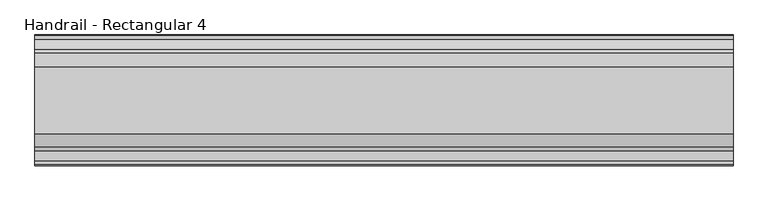
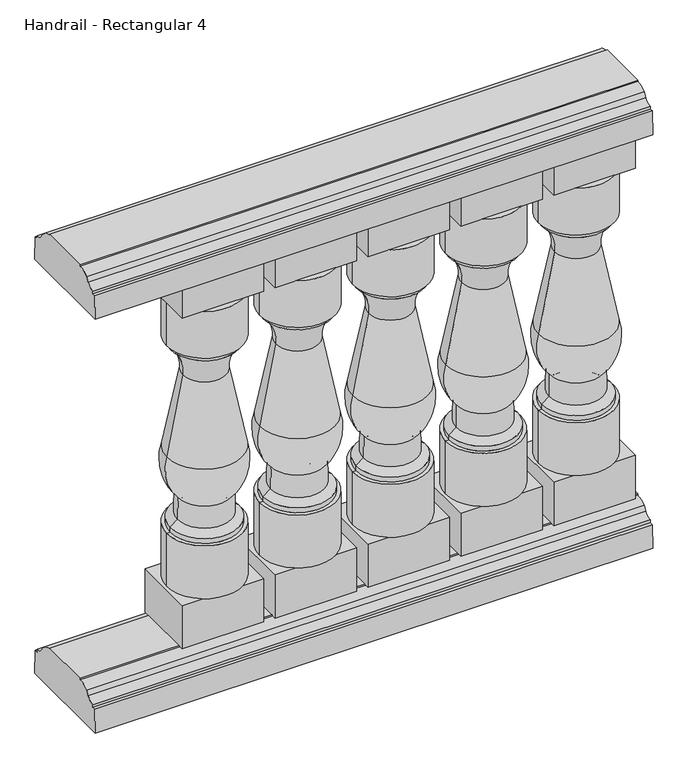
"""IFC4 building model written with IfcOpenShell, lengths in millimetres: railing geometry, Handrail - Rectangular 4."""

from ifc_helpers import new_model, si_unit, point, frame, frame_2d, origin, place, context, project, spatial, polyline, circle_curve, ellipse_curve, trimmed, segment, composite_curve, outline, extrude, source, transform, mapped, element, save
from ifc_brep_helpers import plane_surface, cylinder_surface, revolved_surface, advanced_brep


def handrail_rectangular_4_773be212(model_context):
    return source(origin(), model_context, "Body", "SolidModel", [
        extrude(outline(composite_curve([segment(trimmed(circle_curve(frame_2d((2037.3551798, 1054.89375)), 19.84375), [point((2037.3551798, 1035.05))], [point((2054.4756216, 1044.8605607))], True, "CARTESIAN"), True, "CONTINUOUS"), segment(polyline([(2054.4756216, 1044.8605607), (2060.9356936, 1054.3201059)]), True, "CONTINUOUS"), segment(trimmed(circle_curve(frame_2d((2084.9801798, 1027.90625)), 35.71875), [point((2060.9356936, 1054.3201059))], [point((2084.9801798, 1063.625))], False, "CARTESIAN"), True, "CONTINUOUS"), segment(polyline([(2084.9801798, 1063.625), (2084.9801798, 1066.8), (2200.8676798, 1066.8), (2200.8676798, 1063.625)]), True, "CONTINUOUS"), segment(trimmed(circle_curve(frame_2d((2200.8676798, 1027.90625)), 35.71875), [point((2200.8676798, 1063.625))], [point((2224.912166, 1054.3201059))], False, "CARTESIAN"), True, "CONTINUOUS"), segment(polyline([(2224.912166, 1054.3201059), (2231.372238, 1044.8605607)]), True, "CONTINUOUS"), segment(trimmed(circle_curve(frame_2d((2248.4926798, 1054.89375)), 19.84375), [point((2231.372238, 1044.8605607))], [point((2248.4926798, 1035.05))], True, "CARTESIAN"), True, "CONTINUOUS"), segment(polyline([(2248.4926798, 1035.05), (2248.4926798, 1028.7), (2255.6364298, 1028.7), (2257.2239298, 974.725), (2028.6239298, 974.725), (2030.2114298, 1028.7), (2037.3551798, 1028.7), (2037.3551798, 1035.05)]), True, "CONTINUOUS")], self_intersect=False)), frame((9524.3566037, 0.0, 0.0), z_axis=(1.0, 0.0, 0.0), x_axis=(0.0, 1.0, 0.0)), (0.0, 0.0, 1.0), 1219.2),
        extrude(outline(composite_curve([segment(trimmed(circle_curve(frame_2d((2037.3551798, 99.21875)), 19.84375), [point((2037.3551798, 79.375))], [point((2054.4756216, 89.1855607))], True, "CARTESIAN"), True, "CONTINUOUS"), segment(polyline([(2054.4756216, 89.1855607), (2060.9356936, 98.6451059)]), True, "CONTINUOUS"), segment(trimmed(circle_curve(frame_2d((2084.9801798, 72.23125)), 35.71875), [point((2060.9356936, 98.6451059))], [point((2084.9801798, 107.95))], False, "CARTESIAN"), True, "CONTINUOUS"), segment(polyline([(2084.9801798, 107.95), (2084.9801798, 111.125), (2200.8676798, 111.125), (2200.8676798, 107.95)]), True, "CONTINUOUS"), segment(trimmed(circle_curve(frame_2d((2200.8676798, 72.23125)), 35.71875), [point((2200.8676798, 107.95))], [point((2224.912166, 98.6451059))], False, "CARTESIAN"), True, "CONTINUOUS"), segment(polyline([(2224.912166, 98.6451059), (2231.372238, 89.1855607)]), True, "CONTINUOUS"), segment(trimmed(circle_curve(frame_2d((2248.4926798, 99.21875)), 19.84375), [point((2231.372238, 89.1855607))], [point((2248.4926798, 79.375))], True, "CARTESIAN"), True, "CONTINUOUS"), segment(polyline([(2248.4926798, 79.375), (2248.4926798, 73.025), (2255.6364298, 73.025), (2257.2239298, 19.05), (2028.6239298, 19.05), (2030.2114298, 73.025), (2037.3551798, 73.025), (2037.3551798, 79.375)]), True, "CONTINUOUS")], self_intersect=False)), frame((9524.3566037, 0.0, 0.0), z_axis=(1.0, 0.0, 0.0), x_axis=(0.0, 1.0, 0.0)), (0.0, 0.0, 1.0), 1219.2),
        advanced_brep(
        [(10559.4066037, 2142.9239298, 874.7125), (10724.5066037, 2142.9239298, 874.7125), (10641.9566037, 2142.9239298, 874.7125), (10559.4066037, 2142.9239298, 766.7625), (10724.5066037, 2142.9239298, 766.7625), (10567.3441037, 2142.9239298, 766.7625), (10716.5691037, 2142.9239298, 766.7625), (10567.3441037, 2142.9239298, 755.65), (10716.5691037, 2142.9239298, 755.65), (10595.1253537, 2142.9239298, 687.3875), (10688.7878537, 2142.9239298, 687.3875), (10560.2003537, 2142.9239298, 509.5875), (10723.7128537, 2142.9239298, 509.5875), (10584.0128537, 2142.9239298, 407.9875), (10699.9003537, 2142.9239298, 407.9875), (10583.2191037, 2142.9239298, 357.1875), (10700.6941037, 2142.9239298, 357.1875), (10567.3441037, 2142.9239298, 344.4875), (10716.5691037, 2142.9239298, 344.4875), (10567.3441037, 2142.9239298, 333.375), (10716.5691037, 2142.9239298, 333.375), (10559.4066037, 2142.9239298, 333.375), (10724.5066037, 2142.9239298, 333.375), (10559.4066037, 2142.9239298, 211.1375), (10724.5066037, 2142.9239298, 211.1375), (10641.9566037, 2142.9239298, 211.1375)],
        [
            (0, 1, circle_curve(frame((10641.9566037, 2142.9239298, 874.7125), z_axis=(0.0, 0.0, 1.0), x_axis=(1.0, 0.0, 0.0)), 82.55)),
            (1, 2),
            (2, 0),
            (1, 0, circle_curve(frame((10641.9566037, 2142.9239298, 874.7125), z_axis=(0.0, 0.0, 1.0), x_axis=(1.0, 0.0, 0.0)), 82.55)),
            (3, 4, circle_curve(frame((10641.9566037, 2142.9239298, 766.7625), z_axis=(0.0, 0.0, 1.0), x_axis=(1.0, 0.0, 0.0)), 82.55)),
            (4, 1),
            (0, 3),
            (4, 3, circle_curve(frame((10641.9566037, 2142.9239298, 766.7625), z_axis=(0.0, 0.0, 1.0), x_axis=(1.0, 0.0, 0.0)), 82.55)),
            (5, 6, circle_curve(frame((10641.9566037, 2142.9239298, 766.7625), z_axis=(0.0, 0.0, 1.0), x_axis=(1.0, 0.0, 0.0)), 74.6125)),
            (6, 4),
            (3, 5),
            (6, 5, circle_curve(frame((10641.9566037, 2142.9239298, 766.7625), z_axis=(0.0, 0.0, 1.0), x_axis=(1.0, 0.0, 0.0)), 74.6125)),
            (7, 8, circle_curve(frame((10641.9566037, 2142.9239298, 755.65), z_axis=(0.0, 0.0, 1.0), x_axis=(1.0, 0.0, 0.0)), 74.6125)),
            (8, 6),
            (5, 7),
            (8, 7, circle_curve(frame((10641.9566037, 2142.9239298, 755.65), z_axis=(0.0, 0.0, 1.0), x_axis=(1.0, 0.0, 0.0)), 74.6125)),
            (9, 10, circle_curve(frame((10641.9566037, 2142.9239298, 687.3875), z_axis=(0.0, 0.0, 1.0), x_axis=(1.0, 0.0, 0.0)), 46.83125)),
            (10, 8, circle_curve(frame((10767.9618383, 2142.9239298, 694.9499409), z_axis=(0.0, 1.0, 0.0), x_axis=(-1.0, 0.0, 0.0)), 79.5343344)),
            (7, 9, circle_curve(frame((10515.9513691, 2142.9239298, 694.9499409), z_axis=(0.0, 1.0, 0.0), x_axis=(1.0, 0.0, 0.0)), 79.5343344)),
            (10, 9, circle_curve(frame((10641.9566037, 2142.9239298, 687.3875), z_axis=(0.0, 0.0, 1.0), x_axis=(1.0, 0.0, 0.0)), 46.83125)),
            (11, 12, circle_curve(frame((10641.9566037, 2142.9239298, 509.5875), z_axis=(0.0, 0.0, 1.0), x_axis=(1.0, 0.0, 0.0)), 81.75625)),
            (12, 10, circle_curve(frame((11603.7463087, 2142.9239298, 774.7813483), z_axis=(0.0, 1.0, 0.0), x_axis=(-1.0, 0.0, 0.0)), 919.122766)),
            (9, 11, circle_curve(frame((9680.1668988, 2142.9239298, 774.7813483), z_axis=(0.0, 1.0, 0.0), x_axis=(1.0, 0.0, 0.0)), 919.122766)),
            (12, 11, circle_curve(frame((10641.9566037, 2142.9239298, 509.5875), z_axis=(0.0, 0.0, 1.0), x_axis=(1.0, 0.0, 0.0)), 81.75625)),
            (13, 14, circle_curve(frame((10641.9566037, 2142.9239298, 407.9875), z_axis=(0.0, 0.0, 1.0), x_axis=(1.0, 0.0, 0.0)), 57.94375)),
            (14, 12, circle_curve(frame((10623.6783051, 2142.9239298, 479.44257), z_axis=(0.0, -1.0, 0.0), x_axis=(-1.0, 0.0, 0.0)), 104.4778815)),
            (11, 13, circle_curve(frame((10660.2349023, 2142.9239298, 479.44257), z_axis=(0.0, -1.0, 0.0), x_axis=(1.0, 0.0, 0.0)), 104.4778815)),
            (14, 13, circle_curve(frame((10641.9566037, 2142.9239298, 407.9875), z_axis=(0.0, 0.0, 1.0), x_axis=(1.0, 0.0, 0.0)), 57.94375)),
            (15, 16, circle_curve(frame((10641.9566037, 2142.9239298, 357.1875), z_axis=(0.0, 0.0, 1.0), x_axis=(1.0, 0.0, 0.0)), 58.7375)),
            (16, 14),
            (13, 15),
            (16, 15, circle_curve(frame((10641.9566037, 2142.9239298, 357.1875), z_axis=(0.0, 0.0, 1.0), x_axis=(1.0, 0.0, 0.0)), 58.7375)),
            (17, 18, circle_curve(frame((10641.9566037, 2142.9239298, 344.4875), z_axis=(0.0, 0.0, 1.0), x_axis=(1.0, 0.0, 0.0)), 74.6125)),
            (18, 16),
            (15, 17),
            (18, 17, circle_curve(frame((10641.9566037, 2142.9239298, 344.4875), z_axis=(0.0, 0.0, 1.0), x_axis=(1.0, 0.0, 0.0)), 74.6125)),
            (19, 20, circle_curve(frame((10641.9566037, 2142.9239298, 333.375), z_axis=(0.0, 0.0, 1.0), x_axis=(1.0, 0.0, 0.0)), 74.6125)),
            (20, 18),
            (17, 19),
            (20, 19, circle_curve(frame((10641.9566037, 2142.9239298, 333.375), z_axis=(0.0, 0.0, 1.0), x_axis=(1.0, 0.0, 0.0)), 74.6125)),
            (21, 22, circle_curve(frame((10641.9566037, 2142.9239298, 333.375), z_axis=(0.0, 0.0, 1.0), x_axis=(1.0, 0.0, 0.0)), 82.55)),
            (22, 20),
            (19, 21),
            (22, 21, circle_curve(frame((10641.9566037, 2142.9239298, 333.375), z_axis=(0.0, 0.0, 1.0), x_axis=(1.0, 0.0, 0.0)), 82.55)),
            (23, 24, circle_curve(frame((10641.9566037, 2142.9239298, 211.1375), z_axis=(0.0, 0.0, 1.0), x_axis=(1.0, 0.0, 0.0)), 82.55)),
            (24, 22),
            (21, 23),
            (24, 23, circle_curve(frame((10641.9566037, 2142.9239298, 211.1375), z_axis=(0.0, 0.0, 1.0), x_axis=(1.0, 0.0, 0.0)), 82.55)),
            (25, 24),
            (23, 25),
        ],
        [
            plane_surface(frame((10641.9566037, 2142.9239298, 874.7125), z_axis=(0.0, 0.0, 1.0), x_axis=(1.0, 0.0, 0.0))),
            cylinder_surface(frame((10641.9566037, 2142.9239298, 839.7875), z_axis=(0.0, 0.0, -1.0), x_axis=(1.0, 0.0, 0.0)), 82.55),
            plane_surface(frame((10641.9566037, 2142.9239298, 766.7625), z_axis=(0.0, 0.0, -1.0), x_axis=(1.0, 0.0, 0.0))),
            cylinder_surface(frame((10641.9566037, 2142.9239298, 839.7875), z_axis=(0.0, 0.0, -1.0), x_axis=(1.0, 0.0, 0.0)), 74.6125),
            revolved_surface(trimmed(ellipse_curve(frame((10767.9618383, 2142.9239298, 694.9499409), z_axis=(0.0, -1.0, 0.0), x_axis=(-1.0, 0.0, 0.0)), 79.5343344, 79.5343344), [point((10716.5691037, 2142.9239298, 755.65))], [point((10688.7878537, 2142.9239298, 687.3875))], True, "CARTESIAN"), (10641.9566037, 2142.9239298, 839.7875), (0.0, 0.0, -1.0)),
            revolved_surface(trimmed(ellipse_curve(frame((11603.7463087, 2142.9239298, 774.7813483), z_axis=(0.0, -1.0, 0.0), x_axis=(-1.0, 0.0, 0.0)), 919.122766, 919.122766), [point((10688.7878537, 2142.9239298, 687.3875))], [point((10723.7128537, 2142.9239298, 509.5875))], True, "CARTESIAN"), (10641.9566037, 2142.9239298, 839.7875), (0.0, 0.0, -1.0)),
            revolved_surface(trimmed(ellipse_curve(frame((10623.6783051, 2142.9239298, 479.44257), z_axis=(0.0, 1.0, 0.0), x_axis=(-1.0, 0.0, 0.0)), 104.4778815, 104.4778815), [point((10723.7128537, 2142.9239298, 509.5875))], [point((10699.9003537, 2142.9239298, 407.9875))], True, "CARTESIAN"), (10641.9566037, 2142.9239298, 839.7875), (0.0, 0.0, -1.0)),
            revolved_surface(polyline([(10699.9003537, 2142.9239298, 407.9875), (10700.6941037, 2142.9239298, 357.1875)]), (10641.9566037, 2142.9239298, 839.7875), (0.0, 0.0, -1.0)),
            revolved_surface(polyline([(10700.6941037, 2142.9239298, 357.1875), (10716.5691037, 2142.9239298, 344.4875)]), (10641.9566037, 2142.9239298, 839.7875), (0.0, 0.0, -1.0)),
            plane_surface(frame((10641.9566037, 2142.9239298, 333.375), z_axis=(0.0, 0.0, 1.0), x_axis=(1.0, 0.0, 0.0))),
            plane_surface(frame((10641.9566037, 2142.9239298, 211.1375), z_axis=(0.0, 0.0, -1.0), x_axis=(1.0, 0.0, 0.0))),
        ],
        [
            (0, [[1, 2, 3]]),
            (0, [[4, -3, -2]]),
            (1, [[5, 6, -1, 7]]),
            (1, [[8, -7, -4, -6]]),
            (2, [[9, 10, -5, 11]]),
            (2, [[12, -11, -8, -10]]),
            (3, [[13, 14, -9, 15]]),
            (3, [[16, -15, -12, -14]]),
            (4, [[17, 18, -13, 19]]),
            (4, [[20, -19, -16, -18]]),
            (5, [[21, 22, -17, 23]]),
            (5, [[24, -23, -20, -22]]),
            (6, [[25, 26, -21, 27]]),
            (6, [[28, -27, -24, -26]]),
            (7, [[29, 30, -25, 31]]),
            (7, [[32, -31, -28, -30]]),
            (8, [[33, 34, -29, 35]]),
            (8, [[36, -35, -32, -34]]),
            (3, [[37, 38, -33, 39]]),
            (3, [[40, -39, -36, -38]]),
            (9, [[41, 42, -37, 43]]),
            (9, [[44, -43, -40, -42]]),
            (1, [[45, 46, -41, 47]]),
            (1, [[48, -47, -44, -46]]),
            (10, [[49, -45, 50]]),
            (10, [[-50, -48, -49]]),
        ],
    ),
        extrude(outline(polyline([(10553.0566037, 2073.0739298), (10553.0566037, 2212.7739298), (10730.8566037, 2212.7739298), (10730.8566037, 2073.0739298), (10553.0566037, 2073.0739298)])), frame((0.0, 0.0, 111.125), z_axis=(0.0, 0.0, 1.0), x_axis=(1.0, 0.0, 0.0)), (0.0, 0.0, 1.0), 100.0125),
        extrude(outline(polyline([(10553.0566037, 2212.7739298), (10730.8566037, 2212.7739298), (10730.8566037, 2073.0739298), (10553.0566037, 2073.0739298), (10553.0566037, 2212.7739298)])), frame((0.0, 0.0, 874.7125), z_axis=(0.0, 0.0, 1.0), x_axis=(1.0, 0.0, 0.0)), (0.0, 0.0, 1.0), 100.0125),
        advanced_brep(
        [(10356.2066037, 2142.9239298, 874.7125), (10521.3066037, 2142.9239298, 874.7125), (10438.7566037, 2142.9239298, 874.7125), (10356.2066037, 2142.9239298, 766.7625), (10521.3066037, 2142.9239298, 766.7625), (10364.1441037, 2142.9239298, 766.7625), (10513.3691037, 2142.9239298, 766.7625), (10364.1441037, 2142.9239298, 755.65), (10513.3691037, 2142.9239298, 755.65), (10391.9253537, 2142.9239298, 687.3875), (10485.5878537, 2142.9239298, 687.3875), (10357.0003537, 2142.9239298, 509.5875), (10520.5128537, 2142.9239298, 509.5875), (10380.8128537, 2142.9239298, 407.9875), (10496.7003537, 2142.9239298, 407.9875), (10380.0191037, 2142.9239298, 357.1875), (10497.4941037, 2142.9239298, 357.1875), (10364.1441037, 2142.9239298, 344.4875), (10513.3691037, 2142.9239298, 344.4875), (10364.1441037, 2142.9239298, 333.375), (10513.3691037, 2142.9239298, 333.375), (10356.2066037, 2142.9239298, 333.375), (10521.3066037, 2142.9239298, 333.375), (10356.2066037, 2142.9239298, 211.1375), (10521.3066037, 2142.9239298, 211.1375), (10438.7566037, 2142.9239298, 211.1375)],
        [
            (0, 1, circle_curve(frame((10438.7566037, 2142.9239298, 874.7125), z_axis=(0.0, 0.0, 1.0), x_axis=(1.0, 0.0, 0.0)), 82.55)),
            (1, 2),
            (2, 0),
            (1, 0, circle_curve(frame((10438.7566037, 2142.9239298, 874.7125), z_axis=(0.0, 0.0, 1.0), x_axis=(1.0, 0.0, 0.0)), 82.55)),
            (3, 4, circle_curve(frame((10438.7566037, 2142.9239298, 766.7625), z_axis=(0.0, 0.0, 1.0), x_axis=(1.0, 0.0, 0.0)), 82.55)),
            (4, 1),
            (0, 3),
            (4, 3, circle_curve(frame((10438.7566037, 2142.9239298, 766.7625), z_axis=(0.0, 0.0, 1.0), x_axis=(1.0, 0.0, 0.0)), 82.55)),
            (5, 6, circle_curve(frame((10438.7566037, 2142.9239298, 766.7625), z_axis=(0.0, 0.0, 1.0), x_axis=(1.0, 0.0, 0.0)), 74.6125)),
            (6, 4),
            (3, 5),
            (6, 5, circle_curve(frame((10438.7566037, 2142.9239298, 766.7625), z_axis=(0.0, 0.0, 1.0), x_axis=(1.0, 0.0, 0.0)), 74.6125)),
            (7, 8, circle_curve(frame((10438.7566037, 2142.9239298, 755.65), z_axis=(0.0, 0.0, 1.0), x_axis=(1.0, 0.0, 0.0)), 74.6125)),
            (8, 6),
            (5, 7),
            (8, 7, circle_curve(frame((10438.7566037, 2142.9239298, 755.65), z_axis=(0.0, 0.0, 1.0), x_axis=(1.0, 0.0, 0.0)), 74.6125)),
            (9, 10, circle_curve(frame((10438.7566037, 2142.9239298, 687.3875), z_axis=(0.0, 0.0, 1.0), x_axis=(1.0, 0.0, 0.0)), 46.83125)),
            (10, 8, circle_curve(frame((10564.7618383, 2142.9239298, 694.9499409), z_axis=(0.0, 1.0, 0.0), x_axis=(-1.0, 0.0, 0.0)), 79.5343344)),
            (7, 9, circle_curve(frame((10312.7513691, 2142.9239298, 694.9499409), z_axis=(0.0, 1.0, 0.0), x_axis=(1.0, 0.0, 0.0)), 79.5343344)),
            (10, 9, circle_curve(frame((10438.7566037, 2142.9239298, 687.3875), z_axis=(0.0, 0.0, 1.0), x_axis=(1.0, 0.0, 0.0)), 46.83125)),
            (11, 12, circle_curve(frame((10438.7566037, 2142.9239298, 509.5875), z_axis=(0.0, 0.0, 1.0), x_axis=(1.0, 0.0, 0.0)), 81.75625)),
            (12, 10, circle_curve(frame((11400.5463087, 2142.9239298, 774.7813483), z_axis=(0.0, 1.0, 0.0), x_axis=(-1.0, 0.0, 0.0)), 919.122766)),
            (9, 11, circle_curve(frame((9476.9668988, 2142.9239298, 774.7813483), z_axis=(0.0, 1.0, 0.0), x_axis=(1.0, 0.0, 0.0)), 919.122766)),
            (12, 11, circle_curve(frame((10438.7566037, 2142.9239298, 509.5875), z_axis=(0.0, 0.0, 1.0), x_axis=(1.0, 0.0, 0.0)), 81.75625)),
            (13, 14, circle_curve(frame((10438.7566037, 2142.9239298, 407.9875), z_axis=(0.0, 0.0, 1.0), x_axis=(1.0, 0.0, 0.0)), 57.94375)),
            (14, 12, circle_curve(frame((10420.4783051, 2142.9239298, 479.44257), z_axis=(0.0, -1.0, 0.0), x_axis=(-1.0, 0.0, 0.0)), 104.4778815)),
            (11, 13, circle_curve(frame((10457.0349023, 2142.9239298, 479.44257), z_axis=(0.0, -1.0, 0.0), x_axis=(1.0, 0.0, 0.0)), 104.4778815)),
            (14, 13, circle_curve(frame((10438.7566037, 2142.9239298, 407.9875), z_axis=(0.0, 0.0, 1.0), x_axis=(1.0, 0.0, 0.0)), 57.94375)),
            (15, 16, circle_curve(frame((10438.7566037, 2142.9239298, 357.1875), z_axis=(0.0, 0.0, 1.0), x_axis=(1.0, 0.0, 0.0)), 58.7375)),
            (16, 14),
            (13, 15),
            (16, 15, circle_curve(frame((10438.7566037, 2142.9239298, 357.1875), z_axis=(0.0, 0.0, 1.0), x_axis=(1.0, 0.0, 0.0)), 58.7375)),
            (17, 18, circle_curve(frame((10438.7566037, 2142.9239298, 344.4875), z_axis=(0.0, 0.0, 1.0), x_axis=(1.0, 0.0, 0.0)), 74.6125)),
            (18, 16),
            (15, 17),
            (18, 17, circle_curve(frame((10438.7566037, 2142.9239298, 344.4875), z_axis=(0.0, 0.0, 1.0), x_axis=(1.0, 0.0, 0.0)), 74.6125)),
            (19, 20, circle_curve(frame((10438.7566037, 2142.9239298, 333.375), z_axis=(0.0, 0.0, 1.0), x_axis=(1.0, 0.0, 0.0)), 74.6125)),
            (20, 18),
            (17, 19),
            (20, 19, circle_curve(frame((10438.7566037, 2142.9239298, 333.375), z_axis=(0.0, 0.0, 1.0), x_axis=(1.0, 0.0, 0.0)), 74.6125)),
            (21, 22, circle_curve(frame((10438.7566037, 2142.9239298, 333.375), z_axis=(0.0, 0.0, 1.0), x_axis=(1.0, 0.0, 0.0)), 82.55)),
            (22, 20),
            (19, 21),
            (22, 21, circle_curve(frame((10438.7566037, 2142.9239298, 333.375), z_axis=(0.0, 0.0, 1.0), x_axis=(1.0, 0.0, 0.0)), 82.55)),
            (23, 24, circle_curve(frame((10438.7566037, 2142.9239298, 211.1375), z_axis=(0.0, 0.0, 1.0), x_axis=(1.0, 0.0, 0.0)), 82.55)),
            (24, 22),
            (21, 23),
            (24, 23, circle_curve(frame((10438.7566037, 2142.9239298, 211.1375), z_axis=(0.0, 0.0, 1.0), x_axis=(1.0, 0.0, 0.0)), 82.55)),
            (25, 24),
            (23, 25),
        ],
        [
            plane_surface(frame((10438.7566037, 2142.9239298, 874.7125), z_axis=(0.0, 0.0, 1.0), x_axis=(1.0, 0.0, 0.0))),
            cylinder_surface(frame((10438.7566037, 2142.9239298, 839.7875), z_axis=(0.0, 0.0, -1.0), x_axis=(1.0, 0.0, 0.0)), 82.55),
            plane_surface(frame((10438.7566037, 2142.9239298, 766.7625), z_axis=(0.0, 0.0, -1.0), x_axis=(1.0, 0.0, 0.0))),
            cylinder_surface(frame((10438.7566037, 2142.9239298, 839.7875), z_axis=(0.0, 0.0, -1.0), x_axis=(1.0, 0.0, 0.0)), 74.6125),
            revolved_surface(trimmed(ellipse_curve(frame((10564.7618383, 2142.9239298, 694.9499409), z_axis=(0.0, -1.0, 0.0), x_axis=(-1.0, 0.0, 0.0)), 79.5343344, 79.5343344), [point((10513.3691037, 2142.9239298, 755.65))], [point((10485.5878537, 2142.9239298, 687.3875))], True, "CARTESIAN"), (10438.7566037, 2142.9239298, 839.7875), (0.0, 0.0, -1.0)),
            revolved_surface(trimmed(ellipse_curve(frame((11400.5463087, 2142.9239298, 774.7813483), z_axis=(0.0, -1.0, 0.0), x_axis=(-1.0, 0.0, 0.0)), 919.122766, 919.122766), [point((10485.5878537, 2142.9239298, 687.3875))], [point((10520.5128537, 2142.9239298, 509.5875))], True, "CARTESIAN"), (10438.7566037, 2142.9239298, 839.7875), (0.0, 0.0, -1.0)),
            revolved_surface(trimmed(ellipse_curve(frame((10420.4783051, 2142.9239298, 479.44257), z_axis=(0.0, 1.0, 0.0), x_axis=(-1.0, 0.0, 0.0)), 104.4778815, 104.4778815), [point((10520.5128537, 2142.9239298, 509.5875))], [point((10496.7003537, 2142.9239298, 407.9875))], True, "CARTESIAN"), (10438.7566037, 2142.9239298, 839.7875), (0.0, 0.0, -1.0)),
            revolved_surface(polyline([(10496.7003537, 2142.9239298, 407.9875), (10497.4941037, 2142.9239298, 357.1875)]), (10438.7566037, 2142.9239298, 839.7875), (0.0, 0.0, -1.0)),
            revolved_surface(polyline([(10497.4941037, 2142.9239298, 357.1875), (10513.3691037, 2142.9239298, 344.4875)]), (10438.7566037, 2142.9239298, 839.7875), (0.0, 0.0, -1.0)),
            plane_surface(frame((10438.7566037, 2142.9239298, 333.375), z_axis=(0.0, 0.0, 1.0), x_axis=(1.0, 0.0, 0.0))),
            plane_surface(frame((10438.7566037, 2142.9239298, 211.1375), z_axis=(0.0, 0.0, -1.0), x_axis=(1.0, 0.0, 0.0))),
        ],
        [
            (0, [[1, 2, 3]]),
            (0, [[4, -3, -2]]),
            (1, [[5, 6, -1, 7]]),
            (1, [[8, -7, -4, -6]]),
            (2, [[9, 10, -5, 11]]),
            (2, [[12, -11, -8, -10]]),
            (3, [[13, 14, -9, 15]]),
            (3, [[16, -15, -12, -14]]),
            (4, [[17, 18, -13, 19]]),
            (4, [[20, -19, -16, -18]]),
            (5, [[21, 22, -17, 23]]),
            (5, [[24, -23, -20, -22]]),
            (6, [[25, 26, -21, 27]]),
            (6, [[28, -27, -24, -26]]),
            (7, [[29, 30, -25, 31]]),
            (7, [[32, -31, -28, -30]]),
            (8, [[33, 34, -29, 35]]),
            (8, [[36, -35, -32, -34]]),
            (3, [[37, 38, -33, 39]]),
            (3, [[40, -39, -36, -38]]),
            (9, [[41, 42, -37, 43]]),
            (9, [[44, -43, -40, -42]]),
            (1, [[45, 46, -41, 47]]),
            (1, [[48, -47, -44, -46]]),
            (10, [[49, -45, 50]]),
            (10, [[-50, -48, -49]]),
        ],
    ),
        extrude(outline(polyline([(10349.8566037, 2073.0739298), (10349.8566037, 2212.7739298), (10527.6566037, 2212.7739298), (10527.6566037, 2073.0739298), (10349.8566037, 2073.0739298)])), frame((0.0, 0.0, 111.125), z_axis=(0.0, 0.0, 1.0), x_axis=(1.0, 0.0, 0.0)), (0.0, 0.0, 1.0), 100.0125),
        extrude(outline(polyline([(10349.8566037, 2212.7739298), (10527.6566037, 2212.7739298), (10527.6566037, 2073.0739298), (10349.8566037, 2073.0739298), (10349.8566037, 2212.7739298)])), frame((0.0, 0.0, 874.7125), z_axis=(0.0, 0.0, 1.0), x_axis=(1.0, 0.0, 0.0)), (0.0, 0.0, 1.0), 100.0125),
        advanced_brep(
        [(10153.0066037, 2142.9239298, 874.7125), (10318.1066037, 2142.9239298, 874.7125), (10235.5566037, 2142.9239298, 874.7125), (10153.0066037, 2142.9239298, 766.7625), (10318.1066037, 2142.9239298, 766.7625), (10160.9441037, 2142.9239298, 766.7625), (10310.1691037, 2142.9239298, 766.7625), (10160.9441037, 2142.9239298, 755.65), (10310.1691037, 2142.9239298, 755.65), (10188.7253537, 2142.9239298, 687.3875), (10282.3878537, 2142.9239298, 687.3875), (10153.8003537, 2142.9239298, 509.5875), (10317.3128537, 2142.9239298, 509.5875), (10177.6128537, 2142.9239298, 407.9875), (10293.5003537, 2142.9239298, 407.9875), (10176.8191037, 2142.9239298, 357.1875), (10294.2941037, 2142.9239298, 357.1875), (10160.9441037, 2142.9239298, 344.4875), (10310.1691037, 2142.9239298, 344.4875), (10160.9441037, 2142.9239298, 333.375), (10310.1691037, 2142.9239298, 333.375), (10153.0066037, 2142.9239298, 333.375), (10318.1066037, 2142.9239298, 333.375), (10153.0066037, 2142.9239298, 211.1375), (10318.1066037, 2142.9239298, 211.1375), (10235.5566037, 2142.9239298, 211.1375)],
        [
            (0, 1, circle_curve(frame((10235.5566037, 2142.9239298, 874.7125), z_axis=(0.0, 0.0, 1.0), x_axis=(1.0, 0.0, 0.0)), 82.55)),
            (1, 2),
            (2, 0),
            (1, 0, circle_curve(frame((10235.5566037, 2142.9239298, 874.7125), z_axis=(0.0, 0.0, 1.0), x_axis=(1.0, 0.0, 0.0)), 82.55)),
            (3, 4, circle_curve(frame((10235.5566037, 2142.9239298, 766.7625), z_axis=(0.0, 0.0, 1.0), x_axis=(1.0, 0.0, 0.0)), 82.55)),
            (4, 1),
            (0, 3),
            (4, 3, circle_curve(frame((10235.5566037, 2142.9239298, 766.7625), z_axis=(0.0, 0.0, 1.0), x_axis=(1.0, 0.0, 0.0)), 82.55)),
            (5, 6, circle_curve(frame((10235.5566037, 2142.9239298, 766.7625), z_axis=(0.0, 0.0, 1.0), x_axis=(1.0, 0.0, 0.0)), 74.6125)),
            (6, 4),
            (3, 5),
            (6, 5, circle_curve(frame((10235.5566037, 2142.9239298, 766.7625), z_axis=(0.0, 0.0, 1.0), x_axis=(1.0, 0.0, 0.0)), 74.6125)),
            (7, 8, circle_curve(frame((10235.5566037, 2142.9239298, 755.65), z_axis=(0.0, 0.0, 1.0), x_axis=(1.0, 0.0, 0.0)), 74.6125)),
            (8, 6),
            (5, 7),
            (8, 7, circle_curve(frame((10235.5566037, 2142.9239298, 755.65), z_axis=(0.0, 0.0, 1.0), x_axis=(1.0, 0.0, 0.0)), 74.6125)),
            (9, 10, circle_curve(frame((10235.5566037, 2142.9239298, 687.3875), z_axis=(0.0, 0.0, 1.0), x_axis=(1.0, 0.0, 0.0)), 46.83125)),
            (10, 8, circle_curve(frame((10361.5618383, 2142.9239298, 694.9499409), z_axis=(0.0, 1.0, 0.0), x_axis=(-1.0, 0.0, 0.0)), 79.5343344)),
            (7, 9, circle_curve(frame((10109.5513691, 2142.9239298, 694.9499409), z_axis=(0.0, 1.0, 0.0), x_axis=(1.0, 0.0, 0.0)), 79.5343344)),
            (10, 9, circle_curve(frame((10235.5566037, 2142.9239298, 687.3875), z_axis=(0.0, 0.0, 1.0), x_axis=(1.0, 0.0, 0.0)), 46.83125)),
            (11, 12, circle_curve(frame((10235.5566037, 2142.9239298, 509.5875), z_axis=(0.0, 0.0, 1.0), x_axis=(1.0, 0.0, 0.0)), 81.75625)),
            (12, 10, circle_curve(frame((11197.3463087, 2142.9239298, 774.7813483), z_axis=(0.0, 1.0, 0.0), x_axis=(-1.0, 0.0, 0.0)), 919.122766)),
            (9, 11, circle_curve(frame((9273.7668988, 2142.9239298, 774.7813483), z_axis=(0.0, 1.0, 0.0), x_axis=(1.0, 0.0, 0.0)), 919.122766)),
            (12, 11, circle_curve(frame((10235.5566037, 2142.9239298, 509.5875), z_axis=(0.0, 0.0, 1.0), x_axis=(1.0, 0.0, 0.0)), 81.75625)),
            (13, 14, circle_curve(frame((10235.5566037, 2142.9239298, 407.9875), z_axis=(0.0, 0.0, 1.0), x_axis=(1.0, 0.0, 0.0)), 57.94375)),
            (14, 12, circle_curve(frame((10217.2783051, 2142.9239298, 479.44257), z_axis=(0.0, -1.0, 0.0), x_axis=(-1.0, 0.0, 0.0)), 104.4778815)),
            (11, 13, circle_curve(frame((10253.8349023, 2142.9239298, 479.44257), z_axis=(0.0, -1.0, 0.0), x_axis=(1.0, 0.0, 0.0)), 104.4778815)),
            (14, 13, circle_curve(frame((10235.5566037, 2142.9239298, 407.9875), z_axis=(0.0, 0.0, 1.0), x_axis=(1.0, 0.0, 0.0)), 57.94375)),
            (15, 16, circle_curve(frame((10235.5566037, 2142.9239298, 357.1875), z_axis=(0.0, 0.0, 1.0), x_axis=(1.0, 0.0, 0.0)), 58.7375)),
            (16, 14),
            (13, 15),
            (16, 15, circle_curve(frame((10235.5566037, 2142.9239298, 357.1875), z_axis=(0.0, 0.0, 1.0), x_axis=(1.0, 0.0, 0.0)), 58.7375)),
            (17, 18, circle_curve(frame((10235.5566037, 2142.9239298, 344.4875), z_axis=(0.0, 0.0, 1.0), x_axis=(1.0, 0.0, 0.0)), 74.6125)),
            (18, 16),
            (15, 17),
            (18, 17, circle_curve(frame((10235.5566037, 2142.9239298, 344.4875), z_axis=(0.0, 0.0, 1.0), x_axis=(1.0, 0.0, 0.0)), 74.6125)),
            (19, 20, circle_curve(frame((10235.5566037, 2142.9239298, 333.375), z_axis=(0.0, 0.0, 1.0), x_axis=(1.0, 0.0, 0.0)), 74.6125)),
            (20, 18),
            (17, 19),
            (20, 19, circle_curve(frame((10235.5566037, 2142.9239298, 333.375), z_axis=(0.0, 0.0, 1.0), x_axis=(1.0, 0.0, 0.0)), 74.6125)),
            (21, 22, circle_curve(frame((10235.5566037, 2142.9239298, 333.375), z_axis=(0.0, 0.0, 1.0), x_axis=(1.0, 0.0, 0.0)), 82.55)),
            (22, 20),
            (19, 21),
            (22, 21, circle_curve(frame((10235.5566037, 2142.9239298, 333.375), z_axis=(0.0, 0.0, 1.0), x_axis=(1.0, 0.0, 0.0)), 82.55)),
            (23, 24, circle_curve(frame((10235.5566037, 2142.9239298, 211.1375), z_axis=(0.0, 0.0, 1.0), x_axis=(1.0, 0.0, 0.0)), 82.55)),
            (24, 22),
            (21, 23),
            (24, 23, circle_curve(frame((10235.5566037, 2142.9239298, 211.1375), z_axis=(0.0, 0.0, 1.0), x_axis=(1.0, 0.0, 0.0)), 82.55)),
            (25, 24),
            (23, 25),
        ],
        [
            plane_surface(frame((10235.5566037, 2142.9239298, 874.7125), z_axis=(0.0, 0.0, 1.0), x_axis=(1.0, 0.0, 0.0))),
            cylinder_surface(frame((10235.5566037, 2142.9239298, 839.7875), z_axis=(0.0, 0.0, -1.0), x_axis=(1.0, 0.0, 0.0)), 82.55),
            plane_surface(frame((10235.5566037, 2142.9239298, 766.7625), z_axis=(0.0, 0.0, -1.0), x_axis=(1.0, 0.0, 0.0))),
            cylinder_surface(frame((10235.5566037, 2142.9239298, 839.7875), z_axis=(0.0, 0.0, -1.0), x_axis=(1.0, 0.0, 0.0)), 74.6125),
            revolved_surface(trimmed(ellipse_curve(frame((10361.5618383, 2142.9239298, 694.9499409), z_axis=(0.0, -1.0, 0.0), x_axis=(-1.0, 0.0, 0.0)), 79.5343344, 79.5343344), [point((10310.1691037, 2142.9239298, 755.65))], [point((10282.3878537, 2142.9239298, 687.3875))], True, "CARTESIAN"), (10235.5566037, 2142.9239298, 839.7875), (0.0, 0.0, -1.0)),
            revolved_surface(trimmed(ellipse_curve(frame((11197.3463087, 2142.9239298, 774.7813483), z_axis=(0.0, -1.0, 0.0), x_axis=(-1.0, 0.0, 0.0)), 919.122766, 919.122766), [point((10282.3878537, 2142.9239298, 687.3875))], [point((10317.3128537, 2142.9239298, 509.5875))], True, "CARTESIAN"), (10235.5566037, 2142.9239298, 839.7875), (0.0, 0.0, -1.0)),
            revolved_surface(trimmed(ellipse_curve(frame((10217.2783051, 2142.9239298, 479.44257), z_axis=(0.0, 1.0, 0.0), x_axis=(-1.0, 0.0, 0.0)), 104.4778815, 104.4778815), [point((10317.3128537, 2142.9239298, 509.5875))], [point((10293.5003537, 2142.9239298, 407.9875))], True, "CARTESIAN"), (10235.5566037, 2142.9239298, 839.7875), (0.0, 0.0, -1.0)),
            revolved_surface(polyline([(10293.5003537, 2142.9239298, 407.9875), (10294.2941037, 2142.9239298, 357.1875)]), (10235.5566037, 2142.9239298, 839.7875), (0.0, 0.0, -1.0)),
            revolved_surface(polyline([(10294.2941037, 2142.9239298, 357.1875), (10310.1691037, 2142.9239298, 344.4875)]), (10235.5566037, 2142.9239298, 839.7875), (0.0, 0.0, -1.0)),
            plane_surface(frame((10235.5566037, 2142.9239298, 333.375), z_axis=(0.0, 0.0, 1.0), x_axis=(1.0, 0.0, 0.0))),
            plane_surface(frame((10235.5566037, 2142.9239298, 211.1375), z_axis=(0.0, 0.0, -1.0), x_axis=(1.0, 0.0, 0.0))),
        ],
        [
            (0, [[1, 2, 3]]),
            (0, [[4, -3, -2]]),
            (1, [[5, 6, -1, 7]]),
            (1, [[8, -7, -4, -6]]),
            (2, [[9, 10, -5, 11]]),
            (2, [[12, -11, -8, -10]]),
            (3, [[13, 14, -9, 15]]),
            (3, [[16, -15, -12, -14]]),
            (4, [[17, 18, -13, 19]]),
            (4, [[20, -19, -16, -18]]),
            (5, [[21, 22, -17, 23]]),
            (5, [[24, -23, -20, -22]]),
            (6, [[25, 26, -21, 27]]),
            (6, [[28, -27, -24, -26]]),
            (7, [[29, 30, -25, 31]]),
            (7, [[32, -31, -28, -30]]),
            (8, [[33, 34, -29, 35]]),
            (8, [[36, -35, -32, -34]]),
            (3, [[37, 38, -33, 39]]),
            (3, [[40, -39, -36, -38]]),
            (9, [[41, 42, -37, 43]]),
            (9, [[44, -43, -40, -42]]),
            (1, [[45, 46, -41, 47]]),
            (1, [[48, -47, -44, -46]]),
            (10, [[49, -45, 50]]),
            (10, [[-50, -48, -49]]),
        ],
    ),
        extrude(outline(polyline([(10146.6566037, 2073.0739298), (10146.6566037, 2212.7739298), (10324.4566037, 2212.7739298), (10324.4566037, 2073.0739298), (10146.6566037, 2073.0739298)])), frame((0.0, 0.0, 111.125), z_axis=(0.0, 0.0, 1.0), x_axis=(1.0, 0.0, 0.0)), (0.0, 0.0, 1.0), 100.0125),
        extrude(outline(polyline([(10146.6566037, 2212.7739298), (10324.4566037, 2212.7739298), (10324.4566037, 2073.0739298), (10146.6566037, 2073.0739298), (10146.6566037, 2212.7739298)])), frame((0.0, 0.0, 874.7125), z_axis=(0.0, 0.0, 1.0), x_axis=(1.0, 0.0, 0.0)), (0.0, 0.0, 1.0), 100.0125),
        advanced_brep(
        [(9949.8066037, 2142.9239298, 874.7125), (10114.9066037, 2142.9239298, 874.7125), (10032.3566037, 2142.9239298, 874.7125), (9949.8066037, 2142.9239298, 766.7625), (10114.9066037, 2142.9239298, 766.7625), (9957.7441037, 2142.9239298, 766.7625), (10106.9691037, 2142.9239298, 766.7625), (9957.7441037, 2142.9239298, 755.65), (10106.9691037, 2142.9239298, 755.65), (9985.5253537, 2142.9239298, 687.3875), (10079.1878537, 2142.9239298, 687.3875), (9950.6003537, 2142.9239298, 509.5875), (10114.1128537, 2142.9239298, 509.5875), (9974.4128537, 2142.9239298, 407.9875), (10090.3003537, 2142.9239298, 407.9875), (9973.6191037, 2142.9239298, 357.1875), (10091.0941037, 2142.9239298, 357.1875), (9957.7441037, 2142.9239298, 344.4875), (10106.9691037, 2142.9239298, 344.4875), (9957.7441037, 2142.9239298, 333.375), (10106.9691037, 2142.9239298, 333.375), (9949.8066037, 2142.9239298, 333.375), (10114.9066037, 2142.9239298, 333.375), (9949.8066037, 2142.9239298, 211.1375), (10114.9066037, 2142.9239298, 211.1375), (10032.3566037, 2142.9239298, 211.1375)],
        [
            (0, 1, circle_curve(frame((10032.3566037, 2142.9239298, 874.7125), z_axis=(0.0, 0.0, 1.0), x_axis=(1.0, 0.0, 0.0)), 82.55)),
            (1, 2),
            (2, 0),
            (1, 0, circle_curve(frame((10032.3566037, 2142.9239298, 874.7125), z_axis=(0.0, 0.0, 1.0), x_axis=(1.0, 0.0, 0.0)), 82.55)),
            (3, 4, circle_curve(frame((10032.3566037, 2142.9239298, 766.7625), z_axis=(0.0, 0.0, 1.0), x_axis=(1.0, 0.0, 0.0)), 82.55)),
            (4, 1),
            (0, 3),
            (4, 3, circle_curve(frame((10032.3566037, 2142.9239298, 766.7625), z_axis=(0.0, 0.0, 1.0), x_axis=(1.0, 0.0, 0.0)), 82.55)),
            (5, 6, circle_curve(frame((10032.3566037, 2142.9239298, 766.7625), z_axis=(0.0, 0.0, 1.0), x_axis=(1.0, 0.0, 0.0)), 74.6125)),
            (6, 4),
            (3, 5),
            (6, 5, circle_curve(frame((10032.3566037, 2142.9239298, 766.7625), z_axis=(0.0, 0.0, 1.0), x_axis=(1.0, 0.0, 0.0)), 74.6125)),
            (7, 8, circle_curve(frame((10032.3566037, 2142.9239298, 755.65), z_axis=(0.0, 0.0, 1.0), x_axis=(1.0, 0.0, 0.0)), 74.6125)),
            (8, 6),
            (5, 7),
            (8, 7, circle_curve(frame((10032.3566037, 2142.9239298, 755.65), z_axis=(0.0, 0.0, 1.0), x_axis=(1.0, 0.0, 0.0)), 74.6125)),
            (9, 10, circle_curve(frame((10032.3566037, 2142.9239298, 687.3875), z_axis=(0.0, 0.0, 1.0), x_axis=(1.0, 0.0, 0.0)), 46.83125)),
            (10, 8, circle_curve(frame((10158.3618383, 2142.9239298, 694.9499409), z_axis=(0.0, 1.0, 0.0), x_axis=(-1.0, 0.0, 0.0)), 79.5343344)),
            (7, 9, circle_curve(frame((9906.3513691, 2142.9239298, 694.9499409), z_axis=(0.0, 1.0, 0.0), x_axis=(1.0, 0.0, 0.0)), 79.5343344)),
            (10, 9, circle_curve(frame((10032.3566037, 2142.9239298, 687.3875), z_axis=(0.0, 0.0, 1.0), x_axis=(1.0, 0.0, 0.0)), 46.83125)),
            (11, 12, circle_curve(frame((10032.3566037, 2142.9239298, 509.5875), z_axis=(0.0, 0.0, 1.0), x_axis=(1.0, 0.0, 0.0)), 81.75625)),
            (12, 10, circle_curve(frame((10994.1463087, 2142.9239298, 774.7813483), z_axis=(0.0, 1.0, 0.0), x_axis=(-1.0, 0.0, 0.0)), 919.122766)),
            (9, 11, circle_curve(frame((9070.5668988, 2142.9239298, 774.7813483), z_axis=(0.0, 1.0, 0.0), x_axis=(1.0, 0.0, 0.0)), 919.122766)),
            (12, 11, circle_curve(frame((10032.3566037, 2142.9239298, 509.5875), z_axis=(0.0, 0.0, 1.0), x_axis=(1.0, 0.0, 0.0)), 81.75625)),
            (13, 14, circle_curve(frame((10032.3566037, 2142.9239298, 407.9875), z_axis=(0.0, 0.0, 1.0), x_axis=(1.0, 0.0, 0.0)), 57.94375)),
            (14, 12, circle_curve(frame((10014.0783051, 2142.9239298, 479.44257), z_axis=(0.0, -1.0, 0.0), x_axis=(-1.0, 0.0, 0.0)), 104.4778815)),
            (11, 13, circle_curve(frame((10050.6349023, 2142.9239298, 479.44257), z_axis=(0.0, -1.0, 0.0), x_axis=(1.0, 0.0, 0.0)), 104.4778815)),
            (14, 13, circle_curve(frame((10032.3566037, 2142.9239298, 407.9875), z_axis=(0.0, 0.0, 1.0), x_axis=(1.0, 0.0, 0.0)), 57.94375)),
            (15, 16, circle_curve(frame((10032.3566037, 2142.9239298, 357.1875), z_axis=(0.0, 0.0, 1.0), x_axis=(1.0, 0.0, 0.0)), 58.7375)),
            (16, 14),
            (13, 15),
            (16, 15, circle_curve(frame((10032.3566037, 2142.9239298, 357.1875), z_axis=(0.0, 0.0, 1.0), x_axis=(1.0, 0.0, 0.0)), 58.7375)),
            (17, 18, circle_curve(frame((10032.3566037, 2142.9239298, 344.4875), z_axis=(0.0, 0.0, 1.0), x_axis=(1.0, 0.0, 0.0)), 74.6125)),
            (18, 16),
            (15, 17),
            (18, 17, circle_curve(frame((10032.3566037, 2142.9239298, 344.4875), z_axis=(0.0, 0.0, 1.0), x_axis=(1.0, 0.0, 0.0)), 74.6125)),
            (19, 20, circle_curve(frame((10032.3566037, 2142.9239298, 333.375), z_axis=(0.0, 0.0, 1.0), x_axis=(1.0, 0.0, 0.0)), 74.6125)),
            (20, 18),
            (17, 19),
            (20, 19, circle_curve(frame((10032.3566037, 2142.9239298, 333.375), z_axis=(0.0, 0.0, 1.0), x_axis=(1.0, 0.0, 0.0)), 74.6125)),
            (21, 22, circle_curve(frame((10032.3566037, 2142.9239298, 333.375), z_axis=(0.0, 0.0, 1.0), x_axis=(1.0, 0.0, 0.0)), 82.55)),
            (22, 20),
            (19, 21),
            (22, 21, circle_curve(frame((10032.3566037, 2142.9239298, 333.375), z_axis=(0.0, 0.0, 1.0), x_axis=(1.0, 0.0, 0.0)), 82.55)),
            (23, 24, circle_curve(frame((10032.3566037, 2142.9239298, 211.1375), z_axis=(0.0, 0.0, 1.0), x_axis=(1.0, 0.0, 0.0)), 82.55)),
            (24, 22),
            (21, 23),
            (24, 23, circle_curve(frame((10032.3566037, 2142.9239298, 211.1375), z_axis=(0.0, 0.0, 1.0), x_axis=(1.0, 0.0, 0.0)), 82.55)),
            (25, 24),
            (23, 25),
        ],
        [
            plane_surface(frame((10032.3566037, 2142.9239298, 874.7125), z_axis=(0.0, 0.0, 1.0), x_axis=(1.0, 0.0, 0.0))),
            cylinder_surface(frame((10032.3566037, 2142.9239298, 839.7875), z_axis=(0.0, 0.0, -1.0), x_axis=(1.0, 0.0, 0.0)), 82.55),
            plane_surface(frame((10032.3566037, 2142.9239298, 766.7625), z_axis=(0.0, 0.0, -1.0), x_axis=(1.0, 0.0, 0.0))),
            cylinder_surface(frame((10032.3566037, 2142.9239298, 839.7875), z_axis=(0.0, 0.0, -1.0), x_axis=(1.0, 0.0, 0.0)), 74.6125),
            revolved_surface(trimmed(ellipse_curve(frame((10158.3618383, 2142.9239298, 694.9499409), z_axis=(0.0, -1.0, 0.0), x_axis=(-1.0, 0.0, 0.0)), 79.5343344, 79.5343344), [point((10106.9691037, 2142.9239298, 755.65))], [point((10079.1878537, 2142.9239298, 687.3875))], True, "CARTESIAN"), (10032.3566037, 2142.9239298, 839.7875), (0.0, 0.0, -1.0)),
            revolved_surface(trimmed(ellipse_curve(frame((10994.1463087, 2142.9239298, 774.7813483), z_axis=(0.0, -1.0, 0.0), x_axis=(-1.0, 0.0, 0.0)), 919.122766, 919.122766), [point((10079.1878537, 2142.9239298, 687.3875))], [point((10114.1128537, 2142.9239298, 509.5875))], True, "CARTESIAN"), (10032.3566037, 2142.9239298, 839.7875), (0.0, 0.0, -1.0)),
            revolved_surface(trimmed(ellipse_curve(frame((10014.0783051, 2142.9239298, 479.44257), z_axis=(0.0, 1.0, 0.0), x_axis=(-1.0, 0.0, 0.0)), 104.4778815, 104.4778815), [point((10114.1128537, 2142.9239298, 509.5875))], [point((10090.3003537, 2142.9239298, 407.9875))], True, "CARTESIAN"), (10032.3566037, 2142.9239298, 839.7875), (0.0, 0.0, -1.0)),
            revolved_surface(polyline([(10090.3003537, 2142.9239298, 407.9875), (10091.0941037, 2142.9239298, 357.1875)]), (10032.3566037, 2142.9239298, 839.7875), (0.0, 0.0, -1.0)),
            revolved_surface(polyline([(10091.0941037, 2142.9239298, 357.1875), (10106.9691037, 2142.9239298, 344.4875)]), (10032.3566037, 2142.9239298, 839.7875), (0.0, 0.0, -1.0)),
            plane_surface(frame((10032.3566037, 2142.9239298, 333.375), z_axis=(0.0, 0.0, 1.0), x_axis=(1.0, 0.0, 0.0))),
            plane_surface(frame((10032.3566037, 2142.9239298, 211.1375), z_axis=(0.0, 0.0, -1.0), x_axis=(1.0, 0.0, 0.0))),
        ],
        [
            (0, [[1, 2, 3]]),
            (0, [[4, -3, -2]]),
            (1, [[5, 6, -1, 7]]),
            (1, [[8, -7, -4, -6]]),
            (2, [[9, 10, -5, 11]]),
            (2, [[12, -11, -8, -10]]),
            (3, [[13, 14, -9, 15]]),
            (3, [[16, -15, -12, -14]]),
            (4, [[17, 18, -13, 19]]),
            (4, [[20, -19, -16, -18]]),
            (5, [[21, 22, -17, 23]]),
            (5, [[24, -23, -20, -22]]),
            (6, [[25, 26, -21, 27]]),
            (6, [[28, -27, -24, -26]]),
            (7, [[29, 30, -25, 31]]),
            (7, [[32, -31, -28, -30]]),
            (8, [[33, 34, -29, 35]]),
            (8, [[36, -35, -32, -34]]),
            (3, [[37, 38, -33, 39]]),
            (3, [[40, -39, -36, -38]]),
            (9, [[41, 42, -37, 43]]),
            (9, [[44, -43, -40, -42]]),
            (1, [[45, 46, -41, 47]]),
            (1, [[48, -47, -44, -46]]),
            (10, [[49, -45, 50]]),
            (10, [[-50, -48, -49]]),
        ],
    ),
        extrude(outline(polyline([(9943.4566037, 2073.0739298), (9943.4566037, 2212.7739298), (10121.2566037, 2212.7739298), (10121.2566037, 2073.0739298), (9943.4566037, 2073.0739298)])), frame((0.0, 0.0, 111.125), z_axis=(0.0, 0.0, 1.0), x_axis=(1.0, 0.0, 0.0)), (0.0, 0.0, 1.0), 100.0125),
        extrude(outline(polyline([(9943.4566037, 2212.7739298), (10121.2566037, 2212.7739298), (10121.2566037, 2073.0739298), (9943.4566037, 2073.0739298), (9943.4566037, 2212.7739298)])), frame((0.0, 0.0, 874.7125), z_axis=(0.0, 0.0, 1.0), x_axis=(1.0, 0.0, 0.0)), (0.0, 0.0, 1.0), 100.0125),
        advanced_brep(
        [(9746.6066037, 2142.9239298, 874.7125), (9911.7066037, 2142.9239298, 874.7125), (9829.1566037, 2142.9239298, 874.7125), (9746.6066037, 2142.9239298, 766.7625), (9911.7066037, 2142.9239298, 766.7625), (9754.5441037, 2142.9239298, 766.7625), (9903.7691037, 2142.9239298, 766.7625), (9754.5441037, 2142.9239298, 755.65), (9903.7691037, 2142.9239298, 755.65), (9782.3253537, 2142.9239298, 687.3875), (9875.9878537, 2142.9239298, 687.3875), (9747.4003537, 2142.9239298, 509.5875), (9910.9128537, 2142.9239298, 509.5875), (9771.2128537, 2142.9239298, 407.9875), (9887.1003537, 2142.9239298, 407.9875), (9770.4191037, 2142.9239298, 357.1875), (9887.8941037, 2142.9239298, 357.1875), (9754.5441037, 2142.9239298, 344.4875), (9903.7691037, 2142.9239298, 344.4875), (9754.5441037, 2142.9239298, 333.375), (9903.7691037, 2142.9239298, 333.375), (9746.6066037, 2142.9239298, 333.375), (9911.7066037, 2142.9239298, 333.375), (9746.6066037, 2142.9239298, 211.1375), (9911.7066037, 2142.9239298, 211.1375), (9829.1566037, 2142.9239298, 211.1375)],
        [
            (0, 1, circle_curve(frame((9829.1566037, 2142.9239298, 874.7125), z_axis=(0.0, 0.0, 1.0), x_axis=(1.0, 0.0, 0.0)), 82.55)),
            (1, 2),
            (2, 0),
            (1, 0, circle_curve(frame((9829.1566037, 2142.9239298, 874.7125), z_axis=(0.0, 0.0, 1.0), x_axis=(1.0, 0.0, 0.0)), 82.55)),
            (3, 4, circle_curve(frame((9829.1566037, 2142.9239298, 766.7625), z_axis=(0.0, 0.0, 1.0), x_axis=(1.0, 0.0, 0.0)), 82.55)),
            (4, 1),
            (0, 3),
            (4, 3, circle_curve(frame((9829.1566037, 2142.9239298, 766.7625), z_axis=(0.0, 0.0, 1.0), x_axis=(1.0, 0.0, 0.0)), 82.55)),
            (5, 6, circle_curve(frame((9829.1566037, 2142.9239298, 766.7625), z_axis=(0.0, 0.0, 1.0), x_axis=(1.0, 0.0, 0.0)), 74.6125)),
            (6, 4),
            (3, 5),
            (6, 5, circle_curve(frame((9829.1566037, 2142.9239298, 766.7625), z_axis=(0.0, 0.0, 1.0), x_axis=(1.0, 0.0, 0.0)), 74.6125)),
            (7, 8, circle_curve(frame((9829.1566037, 2142.9239298, 755.65), z_axis=(0.0, 0.0, 1.0), x_axis=(1.0, 0.0, 0.0)), 74.6125)),
            (8, 6),
            (5, 7),
            (8, 7, circle_curve(frame((9829.1566037, 2142.9239298, 755.65), z_axis=(0.0, 0.0, 1.0), x_axis=(1.0, 0.0, 0.0)), 74.6125)),
            (9, 10, circle_curve(frame((9829.1566037, 2142.9239298, 687.3875), z_axis=(0.0, 0.0, 1.0), x_axis=(1.0, 0.0, 0.0)), 46.83125)),
            (10, 8, circle_curve(frame((9955.1618383, 2142.9239298, 694.9499409), z_axis=(0.0, 1.0, 0.0), x_axis=(-1.0, 0.0, 0.0)), 79.5343344)),
            (7, 9, circle_curve(frame((9703.1513691, 2142.9239298, 694.9499409), z_axis=(0.0, 1.0, 0.0), x_axis=(1.0, 0.0, 0.0)), 79.5343344)),
            (10, 9, circle_curve(frame((9829.1566037, 2142.9239298, 687.3875), z_axis=(0.0, 0.0, 1.0), x_axis=(1.0, 0.0, 0.0)), 46.83125)),
            (11, 12, circle_curve(frame((9829.1566037, 2142.9239298, 509.5875), z_axis=(0.0, 0.0, 1.0), x_axis=(1.0, 0.0, 0.0)), 81.75625)),
            (12, 10, circle_curve(frame((10790.9463087, 2142.9239298, 774.7813483), z_axis=(0.0, 1.0, 0.0), x_axis=(-1.0, 0.0, 0.0)), 919.122766)),
            (9, 11, circle_curve(frame((8867.3668988, 2142.9239298, 774.7813483), z_axis=(0.0, 1.0, 0.0), x_axis=(1.0, 0.0, 0.0)), 919.122766)),
            (12, 11, circle_curve(frame((9829.1566037, 2142.9239298, 509.5875), z_axis=(0.0, 0.0, 1.0), x_axis=(1.0, 0.0, 0.0)), 81.75625)),
            (13, 14, circle_curve(frame((9829.1566037, 2142.9239298, 407.9875), z_axis=(0.0, 0.0, 1.0), x_axis=(1.0, 0.0, 0.0)), 57.94375)),
            (14, 12, circle_curve(frame((9810.8783051, 2142.9239298, 479.44257), z_axis=(0.0, -1.0, 0.0), x_axis=(-1.0, 0.0, 0.0)), 104.4778815)),
            (11, 13, circle_curve(frame((9847.4349023, 2142.9239298, 479.44257), z_axis=(0.0, -1.0, 0.0), x_axis=(1.0, 0.0, 0.0)), 104.4778815)),
            (14, 13, circle_curve(frame((9829.1566037, 2142.9239298, 407.9875), z_axis=(0.0, 0.0, 1.0), x_axis=(1.0, 0.0, 0.0)), 57.94375)),
            (15, 16, circle_curve(frame((9829.1566037, 2142.9239298, 357.1875), z_axis=(0.0, 0.0, 1.0), x_axis=(1.0, 0.0, 0.0)), 58.7375)),
            (16, 14),
            (13, 15),
            (16, 15, circle_curve(frame((9829.1566037, 2142.9239298, 357.1875), z_axis=(0.0, 0.0, 1.0), x_axis=(1.0, 0.0, 0.0)), 58.7375)),
            (17, 18, circle_curve(frame((9829.1566037, 2142.9239298, 344.4875), z_axis=(0.0, 0.0, 1.0), x_axis=(1.0, 0.0, 0.0)), 74.6125)),
            (18, 16),
            (15, 17),
            (18, 17, circle_curve(frame((9829.1566037, 2142.9239298, 344.4875), z_axis=(0.0, 0.0, 1.0), x_axis=(1.0, 0.0, 0.0)), 74.6125)),
            (19, 20, circle_curve(frame((9829.1566037, 2142.9239298, 333.375), z_axis=(0.0, 0.0, 1.0), x_axis=(1.0, 0.0, 0.0)), 74.6125)),
            (20, 18),
            (17, 19),
            (20, 19, circle_curve(frame((9829.1566037, 2142.9239298, 333.375), z_axis=(0.0, 0.0, 1.0), x_axis=(1.0, 0.0, 0.0)), 74.6125)),
            (21, 22, circle_curve(frame((9829.1566037, 2142.9239298, 333.375), z_axis=(0.0, 0.0, 1.0), x_axis=(1.0, 0.0, 0.0)), 82.55)),
            (22, 20),
            (19, 21),
            (22, 21, circle_curve(frame((9829.1566037, 2142.9239298, 333.375), z_axis=(0.0, 0.0, 1.0), x_axis=(1.0, 0.0, 0.0)), 82.55)),
            (23, 24, circle_curve(frame((9829.1566037, 2142.9239298, 211.1375), z_axis=(0.0, 0.0, 1.0), x_axis=(1.0, 0.0, 0.0)), 82.55)),
            (24, 22),
            (21, 23),
            (24, 23, circle_curve(frame((9829.1566037, 2142.9239298, 211.1375), z_axis=(0.0, 0.0, 1.0), x_axis=(1.0, 0.0, 0.0)), 82.55)),
            (25, 24),
            (23, 25),
        ],
        [
            plane_surface(frame((9829.1566037, 2142.9239298, 874.7125), z_axis=(0.0, 0.0, 1.0), x_axis=(1.0, 0.0, 0.0))),
            cylinder_surface(frame((9829.1566037, 2142.9239298, 839.7875), z_axis=(0.0, 0.0, -1.0), x_axis=(1.0, 0.0, 0.0)), 82.55),
            plane_surface(frame((9829.1566037, 2142.9239298, 766.7625), z_axis=(0.0, 0.0, -1.0), x_axis=(1.0, 0.0, 0.0))),
            cylinder_surface(frame((9829.1566037, 2142.9239298, 839.7875), z_axis=(0.0, 0.0, -1.0), x_axis=(1.0, 0.0, 0.0)), 74.6125),
            revolved_surface(trimmed(ellipse_curve(frame((9955.1618383, 2142.9239298, 694.9499409), z_axis=(0.0, -1.0, 0.0), x_axis=(-1.0, 0.0, 0.0)), 79.5343344, 79.5343344), [point((9903.7691037, 2142.9239298, 755.65))], [point((9875.9878537, 2142.9239298, 687.3875))], True, "CARTESIAN"), (9829.1566037, 2142.9239298, 839.7875), (0.0, 0.0, -1.0)),
            revolved_surface(trimmed(ellipse_curve(frame((10790.9463087, 2142.9239298, 774.7813483), z_axis=(0.0, -1.0, 0.0), x_axis=(-1.0, 0.0, 0.0)), 919.122766, 919.122766), [point((9875.9878537, 2142.9239298, 687.3875))], [point((9910.9128537, 2142.9239298, 509.5875))], True, "CARTESIAN"), (9829.1566037, 2142.9239298, 839.7875), (0.0, 0.0, -1.0)),
            revolved_surface(trimmed(ellipse_curve(frame((9810.8783051, 2142.9239298, 479.44257), z_axis=(0.0, 1.0, 0.0), x_axis=(-1.0, 0.0, 0.0)), 104.4778815, 104.4778815), [point((9910.9128537, 2142.9239298, 509.5875))], [point((9887.1003537, 2142.9239298, 407.9875))], True, "CARTESIAN"), (9829.1566037, 2142.9239298, 839.7875), (0.0, 0.0, -1.0)),
            revolved_surface(polyline([(9887.1003537, 2142.9239298, 407.9875), (9887.8941037, 2142.9239298, 357.1875)]), (9829.1566037, 2142.9239298, 839.7875), (0.0, 0.0, -1.0)),
            revolved_surface(polyline([(9887.8941037, 2142.9239298, 357.1875), (9903.7691037, 2142.9239298, 344.4875)]), (9829.1566037, 2142.9239298, 839.7875), (0.0, 0.0, -1.0)),
            plane_surface(frame((9829.1566037, 2142.9239298, 333.375), z_axis=(0.0, 0.0, 1.0), x_axis=(1.0, 0.0, 0.0))),
            plane_surface(frame((9829.1566037, 2142.9239298, 211.1375), z_axis=(0.0, 0.0, -1.0), x_axis=(1.0, 0.0, 0.0))),
        ],
        [
            (0, [[1, 2, 3]]),
            (0, [[4, -3, -2]]),
            (1, [[5, 6, -1, 7]]),
            (1, [[8, -7, -4, -6]]),
            (2, [[9, 10, -5, 11]]),
            (2, [[12, -11, -8, -10]]),
            (3, [[13, 14, -9, 15]]),
            (3, [[16, -15, -12, -14]]),
            (4, [[17, 18, -13, 19]]),
            (4, [[20, -19, -16, -18]]),
            (5, [[21, 22, -17, 23]]),
            (5, [[24, -23, -20, -22]]),
            (6, [[25, 26, -21, 27]]),
            (6, [[28, -27, -24, -26]]),
            (7, [[29, 30, -25, 31]]),
            (7, [[32, -31, -28, -30]]),
            (8, [[33, 34, -29, 35]]),
            (8, [[36, -35, -32, -34]]),
            (3, [[37, 38, -33, 39]]),
            (3, [[40, -39, -36, -38]]),
            (9, [[41, 42, -37, 43]]),
            (9, [[44, -43, -40, -42]]),
            (1, [[45, 46, -41, 47]]),
            (1, [[48, -47, -44, -46]]),
            (10, [[49, -45, 50]]),
            (10, [[-50, -48, -49]]),
        ],
    ),
        extrude(outline(polyline([(9740.2566037, 2073.0739298), (9740.2566037, 2212.7739298), (9918.0566037, 2212.7739298), (9918.0566037, 2073.0739298), (9740.2566037, 2073.0739298)])), frame((0.0, 0.0, 111.125), z_axis=(0.0, 0.0, 1.0), x_axis=(1.0, 0.0, 0.0)), (0.0, 0.0, 1.0), 100.0125),
        extrude(outline(polyline([(9740.2566037, 2212.7739298), (9918.0566037, 2212.7739298), (9918.0566037, 2073.0739298), (9740.2566037, 2073.0739298), (9740.2566037, 2212.7739298)])), frame((0.0, 0.0, 874.7125), z_axis=(0.0, 0.0, 1.0), x_axis=(1.0, 0.0, 0.0)), (0.0, 0.0, 1.0), 100.0125),
    ])


if __name__ == "__main__":
    model = new_model("IFC4")
    model_context = context("Model", 3, world=origin())
    ifc_project = project(units=[si_unit("LENGTHUNIT", "METRE", prefix="MILLI")], contexts=[model_context])
    site = spatial("IfcSite", under=ifc_project)
    building = spatial("IfcBuilding", under=site)
    placement = place(None, origin())
    handrail_rectangular_4_shape = handrail_rectangular_4_773be212(model_context)
    element("IfcRailing", 1, ObjectType="Handrail - Rectangular 4", at=placement, inside=building, context=model_context, shape_type="MappedRepresentation", body=[
        mapped(handrail_rectangular_4_shape, transform((0.0, 0.0, 0.0), x_axis=(1.0, 0.0, 0.0), y_axis=(0.0, 1.0, 0.0), z_axis=(0.0, 0.0, 1.0))),
    ])
    save(model, "model.ifc")
